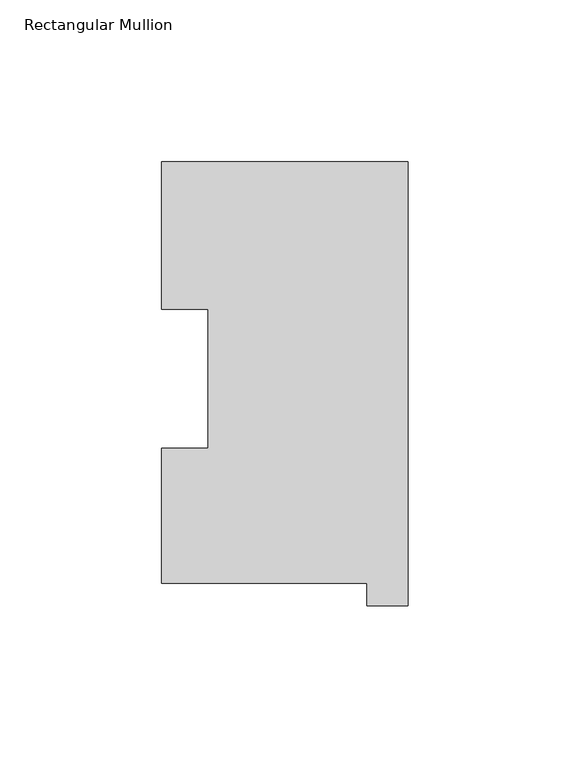
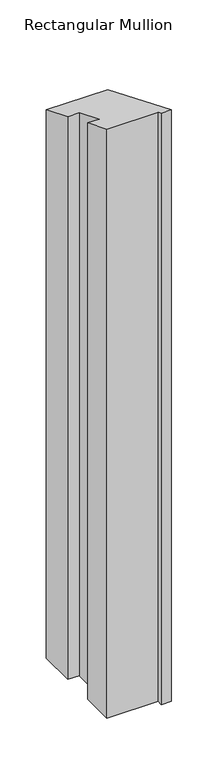
"""IFC4 building model written with IfcOpenShell, lengths in millimetres: member geometry, Rectangular Mullion."""

from ifc_helpers import new_model, si_unit, origin, place, context, project, spatial, faceted_brep, source, transform, mapped, element, save


def rectangular_mullion_5dbf7205(model_context):
    return source(origin(), model_context, "Body", "Brep", [
        faceted_brep([(-76.2, 130.56235, -774.7864919), (0.0, 130.56235, -774.7864919), (0.0, -6.64845, -774.7864919), (-12.7, -6.64845, -774.7864919), (-12.7, 0.26035, -774.7864919), (-76.2, 0.26035, -774.7864919), (-76.2, 42.0485036, -774.7864919), (-61.9101579, 42.0485036, -774.7864919), (-61.9101579, 84.93125, -774.7864919), (-76.2, 84.93125, -774.7864919), (-76.2, 84.93125, -35.1796756), (-76.2, 130.56235, -54.0806961), (-61.9101579, 84.93125, -35.1796756), (-61.9101579, 42.0485036, -17.4170605), (-76.2, 42.0485036, -17.4170605), (-76.2, 0.26035, -0.1078405), (-12.7, 0.26035, -0.1078405), (-12.7, -6.64845, 2.7538782), (0.0, -6.64845, 2.7538782), (0.0, 130.56235, -54.0806961)], [[[0, 1, 2, 3, 4, 5, 6, 7, 8, 9]], [[10, 11, 0, 9]], [[12, 10, 9, 8]], [[13, 12, 8, 7]], [[14, 13, 7, 6]], [[15, 14, 6, 5]], [[16, 15, 5, 4]], [[17, 16, 4, 3]], [[18, 17, 3, 2]], [[19, 18, 2, 1]], [[11, 19, 1, 0]], [[11, 10, 12, 13, 14, 15, 16, 17, 18, 19]]]),
    ])


if __name__ == "__main__":
    model = new_model("IFC4")
    model_context = context("Model", 3, world=origin())
    ifc_project = project(units=[si_unit("LENGTHUNIT", "METRE", prefix="MILLI")], contexts=[model_context])
    site = spatial("IfcSite", under=ifc_project)
    building = spatial("IfcBuilding", under=site)
    placement = place(None, origin())
    rectangular_mullion_shape = rectangular_mullion_5dbf7205(model_context)
    element("IfcMember", 1, ObjectType="Rectangular Mullion", at=placement, inside=building, context=model_context, shape_type="MappedRepresentation", body=[
        mapped(rectangular_mullion_shape, transform((0.0, 0.0, 0.0), x_axis=(1.0, 0.0, 0.0), y_axis=(0.0, 1.0, 0.0), z_axis=(0.0, 0.0, 1.0))),
    ])
    save(model, "model.ifc")
